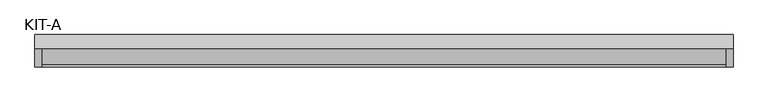
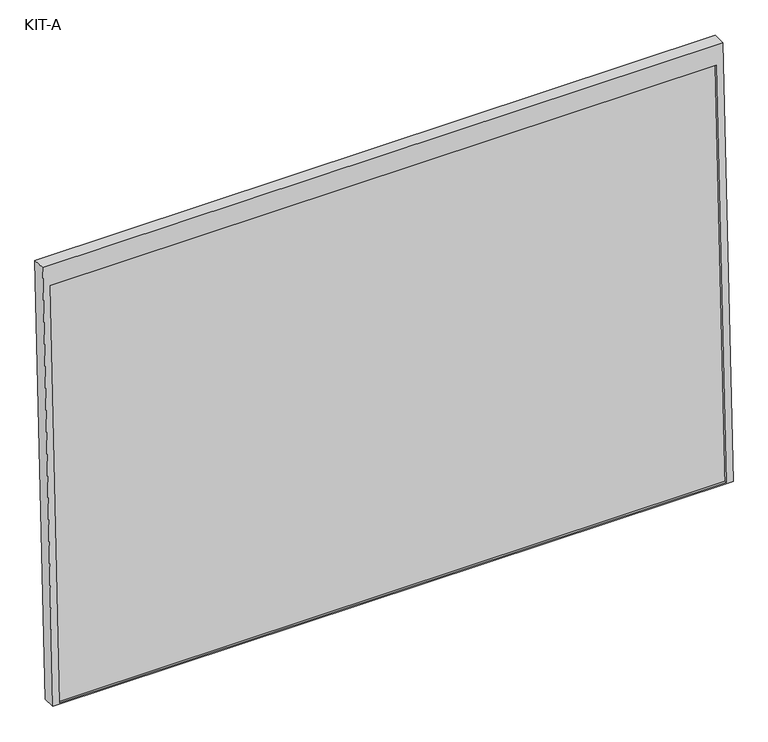
"""IFC4 building model written with IfcOpenShell, lengths in millimetres: plate geometry, KIT-A."""

import ifcopenshell
import ifcopenshell.guid

model = None  # the IFC model being written
_history = None  # IfcOwnerHistory: only IFC2X3 demands one
_inside = {}  # id of a spatial element -> (the spatial element, [elements in it])
_under = {}  # id of a project, library or spatial element -> (it, [spatial elements below it])
_declared = {}  # id of a project -> (the project, [libraries it declares])
_typed = {}  # id of a type object -> (the type object, [elements of that type])
_made_of = {}  # id of a material, layer set ... -> (it, [elements and type objects made of it])


def new_model(schema):
    """Start an empty IFC model of exactly this schema.

    Asked for "IFC4X3", IfcOpenShell would pick the latest addendum, in which some entities
    have other attributes; the version numbers below select the first issue.
    IFC2X3 requires an IfcOwnerHistory on every rooted entity: one is made here for all.
    """
    global model, _history
    if schema == "IFC4X3":
        model = ifcopenshell.file(schema_version=(4, 3, 0, 0))
    else:
        model = ifcopenshell.file(schema=schema)
    _inside.clear()
    _under.clear()
    _declared.clear()
    _typed.clear()
    _made_of.clear()
    _history = None
    if model.schema == "IFC2X3":
        org = make("IfcOrganization", Name="unknown")
        user = make(
            "IfcPersonAndOrganization",
            ThePerson=make("IfcPerson", FamilyName="unknown"),
            TheOrganization=org,
        )
        app = make(
            "IfcApplication",
            ApplicationDeveloper=org,
            Version="unknown",
            ApplicationFullName="unknown",
            ApplicationIdentifier="unknown",
        )
        _history = make(
            "IfcOwnerHistory",
            OwningUser=user,
            OwningApplication=app,
            ChangeAction="ADDED",
            CreationDate=0,
        )
    return model


def make(cls, **values):
    """One entity of the class cls with the attributes given. An attribute that is None is left unset."""
    return model.create_entity(
        cls, **{name: value for name, value in values.items() if value is not None}
    )


def rooted(cls, **values):
    """An entity with a GlobalId (a new one), such as an element, a storey or a relation."""
    return make(cls, GlobalId=ifcopenshell.guid.new(), OwnerHistory=_history, **values)


def si_unit(unit_type, name, prefix=None):
    """IfcSIUnit, for example si_unit("LENGTHUNIT", "METRE", prefix="MILLI")."""
    return make("IfcSIUnit", UnitType=unit_type, Prefix=prefix, Name=name)


def assignment(units):
    """IfcUnitAssignment: the units of a project."""
    return None if units is None else make("IfcUnitAssignment", Units=units)


def point(xyz):
    """IfcCartesianPoint."""
    return None if xyz is None else make("IfcCartesianPoint", Coordinates=xyz)


def direction(xyz):
    """IfcDirection."""
    return None if xyz is None else make("IfcDirection", DirectionRatios=xyz)


def frame(location, z_axis=None, x_axis=None):
    """IfcAxis2Placement3D, a coordinate frame: its origin and axes. An axis left out is left unset."""
    return make(
        "IfcAxis2Placement3D",
        Location=point(location),
        Axis=direction(z_axis),
        RefDirection=direction(x_axis),
    )


def origin():
    """The frame at (0, 0, 0) with its axes left unset."""
    return frame((0.0, 0.0, 0.0))


def place(relative_to, where):
    """IfcLocalPlacement: puts the frame where relative to a parent placement (None: the world)."""
    return make(
        "IfcLocalPlacement", PlacementRelTo=relative_to, RelativePlacement=where
    )


def context(
    kind, dimensions, precision=None, world=None, true_north=None, identifier=None
):
    """IfcGeometricRepresentationContext, for example the 3D "Model" context."""
    return make(
        "IfcGeometricRepresentationContext",
        ContextIdentifier=identifier,
        ContextType=kind,
        CoordinateSpaceDimension=dimensions,
        Precision=precision,
        WorldCoordinateSystem=world,
        TrueNorth=true_north,
    )


def project(units=None, contexts=None):
    """IfcProject with its units and contexts."""
    return rooted(
        "IfcProject",
        Name="project",
        RepresentationContexts=contexts,
        UnitsInContext=assignment(units),
    )


def spatial(cls, under=None, at=None, **own):
    """A site, building, storey or space (cls), placed at a placement, below another one or the project."""
    s = rooted(cls, ObjectPlacement=at, **own)
    if under is not None:
        _under.setdefault(under.id(), (under, []))[1].append(s)
    return s


def polyline(points):
    """IfcPolyline through the points."""
    return make("IfcPolyline", Points=[point(p) for p in points])


def outline(outer, holes=None, kind="AREA"):
    """IfcArbitraryClosedProfileDef: a profile drawn as a closed curve; with holes, ...WithVoids."""
    if holes is None:
        return make("IfcArbitraryClosedProfileDef", ProfileType=kind, OuterCurve=outer)
    return make(
        "IfcArbitraryProfileDefWithVoids",
        ProfileType=kind,
        OuterCurve=outer,
        InnerCurves=holes,
    )


def extrude(swept, where, along, depth):
    """IfcExtrudedAreaSolid: the profile swept, set in the frame where, extruded along a direction by depth."""
    return make(
        "IfcExtrudedAreaSolid",
        SweptArea=swept,
        Position=where,
        ExtrudedDirection=direction(along),
        Depth=depth,
    )


def shape(context_of_items, identifier, shape_type, items):
    """IfcShapeRepresentation: the items that make up one representation, for example the "Body"."""
    return make(
        "IfcShapeRepresentation",
        ContextOfItems=context_of_items,
        RepresentationIdentifier=identifier,
        RepresentationType=shape_type,
        Items=items,
    )


def source(mapping_origin, context_of_items, identifier, shape_type, items):
    """IfcRepresentationMap: a shape defined once, which mapped items show again and again."""
    return make(
        "IfcRepresentationMap",
        MappingOrigin=mapping_origin,
        MappedRepresentation=shape(context_of_items, identifier, shape_type, items),
    )


def transform(
    local_origin,
    x_axis=None,
    y_axis=None,
    z_axis=None,
    scale=None,
    scale2=None,
    scale3=None,
    uniform=True,
):
    """IfcCartesianTransformationOperator3D, or its non-uniform kind. x_axis, y_axis, z_axis: its Axis1, 2, 3."""
    if uniform:
        return make(
            "IfcCartesianTransformationOperator3D",
            Axis1=direction(x_axis),
            Axis2=direction(y_axis),
            LocalOrigin=point(local_origin),
            Scale=scale,
            Axis3=direction(z_axis),
        )
    return make(
        "IfcCartesianTransformationOperator3DnonUniform",
        Axis1=direction(x_axis),
        Axis2=direction(y_axis),
        LocalOrigin=point(local_origin),
        Scale=scale,
        Axis3=direction(z_axis),
        Scale2=scale2,
        Scale3=scale3,
    )


def mapped(mapping_source, mapping_target):
    """IfcMappedItem: shows the shape of a source again, moved by a transform."""
    return make(
        "IfcMappedItem", MappingSource=mapping_source, MappingTarget=mapping_target
    )


def made_of(thing, what):
    """Note that an element or type object is made of a material, layer set ...; save() writes the relation."""
    if what is not None:
        _made_of.setdefault(what.id(), (what, []))[1].append(thing)
    return thing


def element(
    cls,
    number,
    at=None,
    inside=None,
    cuts=None,
    type_object=None,
    material=None,
    context=None,
    identifier="Body",
    shape_type=None,
    held_by="IfcProductDefinitionShape",
    body=None,
    shapes=None,
    **own,
):
    """One element of the class cls, such as IfcWall. Its Tag is "e" and its number.

    at: its placement. inside: the storey or other place that contains it. cuts: it is an
    opening in that element (IfcRelVoidsElement). A single representation is given by context,
    identifier, shape_type and body (its items); several are given by shapes. held_by: the class
    of the entity that holds the representations. save() writes the other relations.
    """
    e = rooted(cls, Tag="e%d" % number, ObjectPlacement=at, **own)
    if body is not None:
        shapes = [shape(context, identifier, shape_type, body)]
    if shapes is not None:
        e.Representation = make(held_by, Representations=shapes)
    if inside is not None:
        _inside.setdefault(inside.id(), (inside, []))[1].append(e)
    if cuts is not None:
        rooted(
            "IfcRelVoidsElement", RelatingBuildingElement=cuts, RelatedOpeningElement=e
        )
    if type_object is not None:
        _typed.setdefault(type_object.id(), (type_object, []))[1].append(e)
    return made_of(e, material)


def aggregate(whole, parts):
    """IfcRelAggregates: a whole, such as a stair, and the parts it consists of."""
    return rooted("IfcRelAggregates", RelatingObject=whole, RelatedObjects=parts)


def save(model, path):
    """Write the relations noted so far, then the file.

    IfcRelAggregates (storeys below a building ...), IfcRelContainedInSpatialStructure (elements
    in a storey), IfcRelDefinesByType, IfcRelAssociatesMaterial and IfcRelDeclares: one each for
    every whole, place, type object, material and project.
    """
    for whole, parts in _under.values():
        aggregate(whole, parts)
    for where, things in _inside.values():
        rooted(
            "IfcRelContainedInSpatialStructure",
            RelatedElements=things,
            RelatingStructure=where,
        )
    for kind, things in _typed.values():
        rooted("IfcRelDefinesByType", RelatedObjects=things, RelatingType=kind)
    for what, things in _made_of.values():
        rooted("IfcRelAssociatesMaterial", RelatedObjects=things, RelatingMaterial=what)
    for by, libraries in _declared.values():
        rooted("IfcRelDeclares", RelatingContext=by, RelatedDefinitions=libraries)
    model.write(path)


def kit_a_76aef2c0(model_context):
    return source(origin(), model_context, "Body", "SweptSolid", [
        extrude(outline(polyline([(0.0, 0.0), (0.0, -1791.0), (-1195.0, -1791.0), (-1195.0, 0.0), (0.0, 0.0)]), holes=[polyline([(-55.0, -18.5), (-1191.0441175, -18.5), (-1191.0441175, -1772.5), (-55.0, -1772.5), (-55.0, -18.5)])]), frame((-895.5, 10.1476707, 1140.0133701), z_axis=(0.0, -0.9992101801000246, 0.039736834102334216), x_axis=(0.0, 0.039736834102334216, 0.9992101801000246)), (0.0, 0.0, 1.0), 35.0),
        extrude(outline(polyline([(0.0, -1754.0), (0.0, 0.0), (27.4505713, 0.0), (27.4505713, -1754.0), (0.0, -1754.0)])), frame((-877.0, -67.1569572, -48.8979321), z_axis=(0.0, 0.03973683410233643, 0.9992101801000245), x_axis=(0.0, 0.9992101801000245, -0.03973683410233643)), (0.0, 0.0, 1.0), 1136.0441176),
    ])


if __name__ == "__main__":
    model = new_model("IFC4")
    model_context = context("Model", 3, world=origin())
    ifc_project = project(units=[si_unit("LENGTHUNIT", "METRE", prefix="MILLI")], contexts=[model_context])
    site = spatial("IfcSite", under=ifc_project)
    building = spatial("IfcBuilding", under=site)
    placement = place(None, origin())
    kit_a_shape = kit_a_76aef2c0(model_context)
    element("IfcPlate", 1, ObjectType="KIT-A", at=placement, inside=building, context=model_context, shape_type="MappedRepresentation", body=[
        mapped(kit_a_shape, transform((0.0, 0.0, 0.0), x_axis=(1.0, 0.0, 0.0), y_axis=(0.0, 1.0, 0.0), z_axis=(0.0, 0.0, 1.0))),
    ])
    save(model, "model.ifc")
